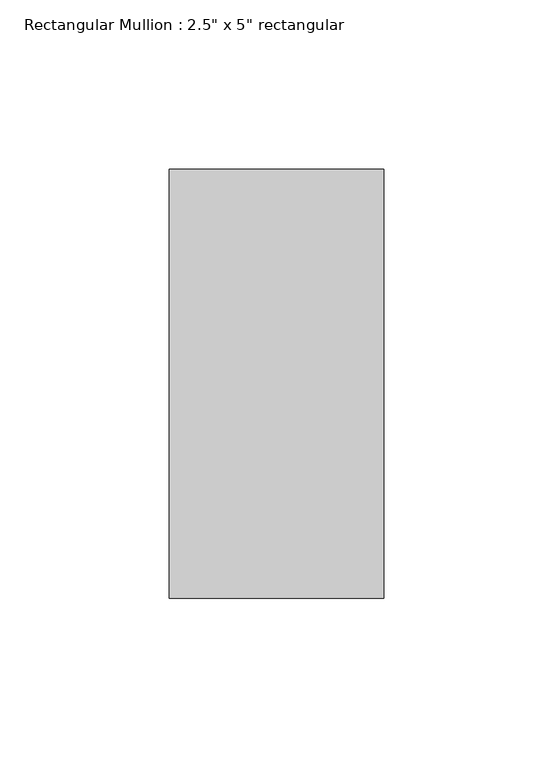
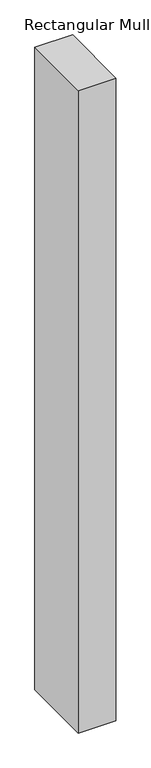
"""IFC4 building model written with IfcOpenShell, lengths in millimetres: member geometry."""

import ifcopenshell
import ifcopenshell.guid

model = None  # the IFC model being written
_history = None  # IfcOwnerHistory: only IFC2X3 demands one
_inside = {}  # id of a spatial element -> (the spatial element, [elements in it])
_under = {}  # id of a project, library or spatial element -> (it, [spatial elements below it])
_declared = {}  # id of a project -> (the project, [libraries it declares])
_typed = {}  # id of a type object -> (the type object, [elements of that type])
_made_of = {}  # id of a material, layer set ... -> (it, [elements and type objects made of it])


def new_model(schema):
    """Start an empty IFC model of exactly this schema.

    Asked for "IFC4X3", IfcOpenShell would pick the latest addendum, in which some entities
    have other attributes; the version numbers below select the first issue.
    IFC2X3 requires an IfcOwnerHistory on every rooted entity: one is made here for all.
    """
    global model, _history
    if schema == "IFC4X3":
        model = ifcopenshell.file(schema_version=(4, 3, 0, 0))
    else:
        model = ifcopenshell.file(schema=schema)
    _inside.clear()
    _under.clear()
    _declared.clear()
    _typed.clear()
    _made_of.clear()
    _history = None
    if model.schema == "IFC2X3":
        org = make("IfcOrganization", Name="unknown")
        user = make(
            "IfcPersonAndOrganization",
            ThePerson=make("IfcPerson", FamilyName="unknown"),
            TheOrganization=org,
        )
        app = make(
            "IfcApplication",
            ApplicationDeveloper=org,
            Version="unknown",
            ApplicationFullName="unknown",
            ApplicationIdentifier="unknown",
        )
        _history = make(
            "IfcOwnerHistory",
            OwningUser=user,
            OwningApplication=app,
            ChangeAction="ADDED",
            CreationDate=0,
        )
    return model


def make(cls, **values):
    """One entity of the class cls with the attributes given. An attribute that is None is left unset."""
    return model.create_entity(
        cls, **{name: value for name, value in values.items() if value is not None}
    )


def rooted(cls, **values):
    """An entity with a GlobalId (a new one), such as an element, a storey or a relation."""
    return make(cls, GlobalId=ifcopenshell.guid.new(), OwnerHistory=_history, **values)


def si_unit(unit_type, name, prefix=None):
    """IfcSIUnit, for example si_unit("LENGTHUNIT", "METRE", prefix="MILLI")."""
    return make("IfcSIUnit", UnitType=unit_type, Prefix=prefix, Name=name)


def assignment(units):
    """IfcUnitAssignment: the units of a project."""
    return None if units is None else make("IfcUnitAssignment", Units=units)


def point(xyz):
    """IfcCartesianPoint."""
    return None if xyz is None else make("IfcCartesianPoint", Coordinates=xyz)


def direction(xyz):
    """IfcDirection."""
    return None if xyz is None else make("IfcDirection", DirectionRatios=xyz)


def frame(location, z_axis=None, x_axis=None):
    """IfcAxis2Placement3D, a coordinate frame: its origin and axes. An axis left out is left unset."""
    return make(
        "IfcAxis2Placement3D",
        Location=point(location),
        Axis=direction(z_axis),
        RefDirection=direction(x_axis),
    )


def origin():
    """The frame at (0, 0, 0) with its axes left unset."""
    return frame((0.0, 0.0, 0.0))


def place(relative_to, where):
    """IfcLocalPlacement: puts the frame where relative to a parent placement (None: the world)."""
    return make(
        "IfcLocalPlacement", PlacementRelTo=relative_to, RelativePlacement=where
    )


def context(
    kind, dimensions, precision=None, world=None, true_north=None, identifier=None
):
    """IfcGeometricRepresentationContext, for example the 3D "Model" context."""
    return make(
        "IfcGeometricRepresentationContext",
        ContextIdentifier=identifier,
        ContextType=kind,
        CoordinateSpaceDimension=dimensions,
        Precision=precision,
        WorldCoordinateSystem=world,
        TrueNorth=true_north,
    )


def project(units=None, contexts=None):
    """IfcProject with its units and contexts."""
    return rooted(
        "IfcProject",
        Name="project",
        RepresentationContexts=contexts,
        UnitsInContext=assignment(units),
    )


def spatial(cls, under=None, at=None, **own):
    """A site, building, storey or space (cls), placed at a placement, below another one or the project."""
    s = rooted(cls, ObjectPlacement=at, **own)
    if under is not None:
        _under.setdefault(under.id(), (under, []))[1].append(s)
    return s


def polyline(points):
    """IfcPolyline through the points."""
    return make("IfcPolyline", Points=[point(p) for p in points])


def outline(outer, holes=None, kind="AREA"):
    """IfcArbitraryClosedProfileDef: a profile drawn as a closed curve; with holes, ...WithVoids."""
    if holes is None:
        return make("IfcArbitraryClosedProfileDef", ProfileType=kind, OuterCurve=outer)
    return make(
        "IfcArbitraryProfileDefWithVoids",
        ProfileType=kind,
        OuterCurve=outer,
        InnerCurves=holes,
    )


def extrude(swept, where, along, depth):
    """IfcExtrudedAreaSolid: the profile swept, set in the frame where, extruded along a direction by depth."""
    return make(
        "IfcExtrudedAreaSolid",
        SweptArea=swept,
        Position=where,
        ExtrudedDirection=direction(along),
        Depth=depth,
    )


def shape(context_of_items, identifier, shape_type, items):
    """IfcShapeRepresentation: the items that make up one representation, for example the "Body"."""
    return make(
        "IfcShapeRepresentation",
        ContextOfItems=context_of_items,
        RepresentationIdentifier=identifier,
        RepresentationType=shape_type,
        Items=items,
    )


def source(mapping_origin, context_of_items, identifier, shape_type, items):
    """IfcRepresentationMap: a shape defined once, which mapped items show again and again."""
    return make(
        "IfcRepresentationMap",
        MappingOrigin=mapping_origin,
        MappedRepresentation=shape(context_of_items, identifier, shape_type, items),
    )


def transform(
    local_origin,
    x_axis=None,
    y_axis=None,
    z_axis=None,
    scale=None,
    scale2=None,
    scale3=None,
    uniform=True,
):
    """IfcCartesianTransformationOperator3D, or its non-uniform kind. x_axis, y_axis, z_axis: its Axis1, 2, 3."""
    if uniform:
        return make(
            "IfcCartesianTransformationOperator3D",
            Axis1=direction(x_axis),
            Axis2=direction(y_axis),
            LocalOrigin=point(local_origin),
            Scale=scale,
            Axis3=direction(z_axis),
        )
    return make(
        "IfcCartesianTransformationOperator3DnonUniform",
        Axis1=direction(x_axis),
        Axis2=direction(y_axis),
        LocalOrigin=point(local_origin),
        Scale=scale,
        Axis3=direction(z_axis),
        Scale2=scale2,
        Scale3=scale3,
    )


def mapped(mapping_source, mapping_target):
    """IfcMappedItem: shows the shape of a source again, moved by a transform."""
    return make(
        "IfcMappedItem", MappingSource=mapping_source, MappingTarget=mapping_target
    )


def made_of(thing, what):
    """Note that an element or type object is made of a material, layer set ...; save() writes the relation."""
    if what is not None:
        _made_of.setdefault(what.id(), (what, []))[1].append(thing)
    return thing


def element(
    cls,
    number,
    at=None,
    inside=None,
    cuts=None,
    type_object=None,
    material=None,
    context=None,
    identifier="Body",
    shape_type=None,
    held_by="IfcProductDefinitionShape",
    body=None,
    shapes=None,
    **own,
):
    """One element of the class cls, such as IfcWall. Its Tag is "e" and its number.

    at: its placement. inside: the storey or other place that contains it. cuts: it is an
    opening in that element (IfcRelVoidsElement). A single representation is given by context,
    identifier, shape_type and body (its items); several are given by shapes. held_by: the class
    of the entity that holds the representations. save() writes the other relations.
    """
    e = rooted(cls, Tag="e%d" % number, ObjectPlacement=at, **own)
    if body is not None:
        shapes = [shape(context, identifier, shape_type, body)]
    if shapes is not None:
        e.Representation = make(held_by, Representations=shapes)
    if inside is not None:
        _inside.setdefault(inside.id(), (inside, []))[1].append(e)
    if cuts is not None:
        rooted(
            "IfcRelVoidsElement", RelatingBuildingElement=cuts, RelatedOpeningElement=e
        )
    if type_object is not None:
        _typed.setdefault(type_object.id(), (type_object, []))[1].append(e)
    return made_of(e, material)


def aggregate(whole, parts):
    """IfcRelAggregates: a whole, such as a stair, and the parts it consists of."""
    return rooted("IfcRelAggregates", RelatingObject=whole, RelatedObjects=parts)


def save(model, path):
    """Write the relations noted so far, then the file.

    IfcRelAggregates (storeys below a building ...), IfcRelContainedInSpatialStructure (elements
    in a storey), IfcRelDefinesByType, IfcRelAssociatesMaterial and IfcRelDeclares: one each for
    every whole, place, type object, material and project.
    """
    for whole, parts in _under.values():
        aggregate(whole, parts)
    for where, things in _inside.values():
        rooted(
            "IfcRelContainedInSpatialStructure",
            RelatedElements=things,
            RelatingStructure=where,
        )
    for kind, things in _typed.values():
        rooted("IfcRelDefinesByType", RelatedObjects=things, RelatingType=kind)
    for what, things in _made_of.values():
        rooted("IfcRelAssociatesMaterial", RelatedObjects=things, RelatingMaterial=what)
    for by, libraries in _declared.values():
        rooted("IfcRelDeclares", RelatingContext=by, RelatedDefinitions=libraries)
    model.write(path)


def member_d0ad9d86(model_context):
    return source(origin(), model_context, "Body", "SweptSolid", [
        extrude(outline(polyline([(0.0, 63.5), (0.0, -63.5), (-63.5, -63.5), (-63.5, 63.5), (0.0, 63.5)])), frame((0.0, 0.0, -1146.575), z_axis=(0.0, 0.0, 1.0), x_axis=(1.0, 0.0, 0.0)), (0.0, 0.0, 1.0), 1146.575),
    ])


if __name__ == "__main__":
    model = new_model("IFC4")
    model_context = context("Model", 3, world=origin())
    ifc_project = project(units=[si_unit("LENGTHUNIT", "METRE", prefix="MILLI")], contexts=[model_context])
    site = spatial("IfcSite", under=ifc_project)
    building = spatial("IfcBuilding", under=site)
    placement = place(None, origin())
    member_shape = member_d0ad9d86(model_context)
    element("IfcMember", 1, ObjectType="Rectangular Mullion : 2.5\" x 5\" rectangular", at=placement, inside=building, context=model_context, shape_type="MappedRepresentation", body=[
        mapped(member_shape, transform((0.0, 0.0, 0.0), x_axis=(1.0, 0.0, 0.0), y_axis=(0.0, 1.0, 0.0), z_axis=(0.0, 0.0, 1.0))),
    ])
    save(model, "model.ifc")
